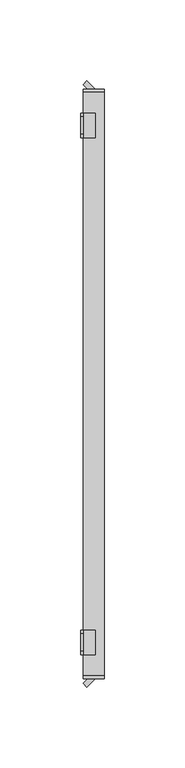
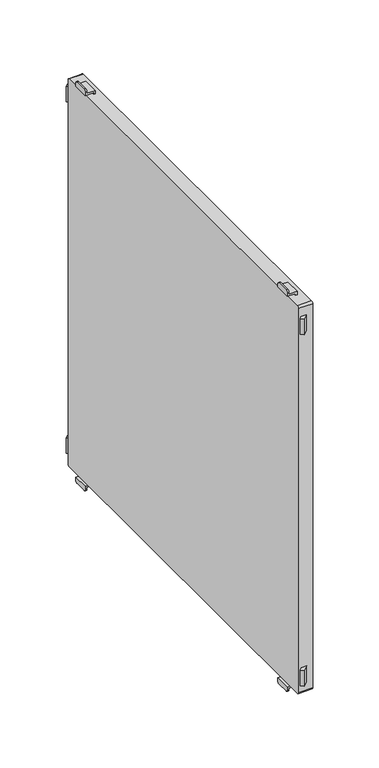
"""IFC4 building model written with IfcOpenShell, lengths in millimetres: furniture geometry."""

from ifc_helpers import new_model, si_unit, point, frame, frame_2d, origin, place, context, project, spatial, polyline, circle_curve, trimmed, segment, composite_curve, outline, extrude, source, transform, mapped, element, save
from ifc_brep_helpers import plane_surface, cylinder_surface, advanced_brep


def furniture_c60aaff3(model_context):
    return source(origin(), model_context, "Body", "SolidModel", [
        advanced_brep(
        [(-397.0, -152.5, 115.5), (-397.0, -152.5, 117.0), (-397.0, -167.5, 117.0), (-397.0, -167.5, 115.5), (-397.0, -165.5, 113.5), (-397.0, -154.5, 113.5), (-398.5, -152.5, 118.5), (-398.5, -152.5, 115.5), (-398.5, -154.5, 113.5), (-398.5, -165.5, 113.5), (-398.5, -167.5, 115.5), (-398.5, -167.5, 118.5), (-391.0011497, -152.5, 118.5), (-391.0011497, -152.5, 120.0), (-389.5011497, -152.5, 120.0), (-389.5011497, -152.5, 117.0), (-389.5011497, -167.5, 117.0), (-389.5011497, -167.5, 120.0), (-391.0011497, -167.5, 120.0), (-391.0011497, -167.5, 118.5)],
        [
            (0, 1),
            (1, 2),
            (2, 3),
            (3, 4, circle_curve(frame((-397.0, -165.5, 115.5), z_axis=(1.0, 0.0, 0.0), x_axis=(0.0, -1.0, 0.0)), 2.0)),
            (4, 5),
            (5, 0, circle_curve(frame((-397.0, -154.5, 115.5), z_axis=(1.0, 0.0, 0.0), x_axis=(0.0, -1.0, 0.0)), 2.0)),
            (6, 7),
            (7, 8, circle_curve(frame((-398.5, -154.5, 115.5), z_axis=(-1.0, 0.0, 0.0), x_axis=(0.0, -1.0, 0.0)), 2.0)),
            (8, 9),
            (9, 10, circle_curve(frame((-398.5, -165.5, 115.5), z_axis=(-1.0, 0.0, 0.0), x_axis=(0.0, -1.0, 0.0)), 2.0)),
            (10, 11),
            (11, 6),
            (6, 12),
            (12, 13),
            (13, 14),
            (14, 15),
            (15, 1),
            (0, 7),
            (5, 8),
            (4, 9),
            (3, 10),
            (2, 16),
            (16, 17),
            (17, 18),
            (18, 19),
            (19, 11),
            (19, 12),
            (14, 17),
            (16, 15),
            (13, 18),
        ],
        [
            plane_surface(frame((-397.0, -152.5, 117.0), z_axis=(1.0, 0.0, 0.0), x_axis=(0.0, 0.0, -1.0))),
            plane_surface(frame((-398.5, -152.5, 117.0), z_axis=(-1.0, 0.0, 0.0), x_axis=(0.0, 0.0, 1.0))),
            plane_surface(frame((-397.0, -152.5, 118.5), z_axis=(0.0, 1.0, 0.0), x_axis=(-1.0, 0.0, 0.0))),
            cylinder_surface(frame((-398.5, -154.5, 115.5), z_axis=(1.0, 0.0, 0.0), x_axis=(0.0, -1.0, 0.0)), 2.0),
            plane_surface(frame((-397.0, -154.5, 113.5), z_axis=(0.0, 0.0, -1.0), x_axis=(-1.0, 0.0, 0.0))),
            cylinder_surface(frame((-398.5, -165.5, 115.5), z_axis=(1.0, 0.0, 0.0), x_axis=(0.0, -1.0, 0.0)), 2.0),
            plane_surface(frame((-397.0, -167.5, 115.5), z_axis=(0.0, -1.0, 0.0), x_axis=(-1.0, 0.0, 0.0))),
            plane_surface(frame((-397.0, -167.5, 118.5), z_axis=(0.0, 0.0, 1.0), x_axis=(-1.0, 0.0, 0.0))),
            plane_surface(frame((-389.5011497, -152.5, 117.0), z_axis=(1.0, 0.0, 0.0), x_axis=(0.0, -1.0, 0.0))),
            plane_surface(frame((-389.5011497, -152.5, 120.0), z_axis=(0.0, 0.0, 1.0), x_axis=(0.0, -1.0, 0.0))),
            plane_surface(frame((-391.0011497, -152.5, 120.0), z_axis=(-1.0, 0.0, 0.0), x_axis=(0.0, -1.0, 0.0))),
            plane_surface(frame((-397.0, -152.5, 117.0), z_axis=(0.0, 0.0, -1.0), x_axis=(0.0, -1.0, 0.0))),
        ],
        [
            (0, [[1, 2, 3, 4, 5, 6]]),
            (1, [[7, 8, 9, 10, 11, 12]]),
            (2, [[13, 14, 15, 16, 17, -1, 18, -7]]),
            (3, [[19, -8, -18, -6]]),
            (4, [[20, -9, -19, -5]]),
            (5, [[21, -10, -20, -4]]),
            (6, [[-21, -3, 22, 23, 24, 25, 26, -11]]),
            (7, [[27, -13, -12, -26]]),
            (8, [[28, -23, 29, -16]]),
            (9, [[30, -24, -28, -15]]),
            (10, [[-27, -25, -30, -14]]),
            (11, [[-29, -22, -2, -17]]),
        ],
    ),
        advanced_brep(
        [(-397.0, 167.5, 115.5), (-397.0, 167.5, 117.0), (-397.0, 152.5, 117.0), (-397.0, 152.5, 115.5), (-397.0, 154.5, 113.5), (-397.0, 165.5, 113.5), (-398.5, 152.5, 118.5), (-398.5, 167.5, 118.5), (-398.5, 167.5, 115.5), (-398.5, 165.5, 113.5), (-398.5, 154.5, 113.5), (-398.5, 152.5, 115.5), (-391.0011497, 152.5, 118.5), (-391.0011497, 167.5, 118.5), (-391.0011497, 167.5, 120.0), (-389.5011497, 167.5, 120.0), (-389.5011497, 167.5, 117.0), (-389.5011497, 152.5, 117.0), (-389.5011497, 152.5, 120.0), (-391.0011497, 152.5, 120.0)],
        [
            (0, 1),
            (1, 2),
            (2, 3),
            (3, 4, circle_curve(frame((-397.0, 154.5, 115.5), z_axis=(1.0, 0.0, 0.0), x_axis=(0.0, -1.0, 0.0)), 2.0)),
            (4, 5),
            (5, 0, circle_curve(frame((-397.0, 165.5, 115.5), z_axis=(1.0, 0.0, 0.0), x_axis=(0.0, -1.0, 0.0)), 2.0)),
            (6, 7),
            (7, 8),
            (8, 9, circle_curve(frame((-398.5, 165.5, 115.5), z_axis=(-1.0, 0.0, 0.0), x_axis=(0.0, -1.0, 0.0)), 2.0)),
            (9, 10),
            (10, 11, circle_curve(frame((-398.5, 154.5, 115.5), z_axis=(-1.0, 0.0, 0.0), x_axis=(0.0, -1.0, 0.0)), 2.0)),
            (11, 6),
            (6, 12),
            (12, 13),
            (13, 7),
            (13, 14),
            (14, 15),
            (15, 16),
            (16, 1),
            (0, 8),
            (5, 9),
            (4, 10),
            (3, 11),
            (2, 17),
            (17, 18),
            (18, 19),
            (19, 12),
            (17, 16),
            (15, 18),
            (14, 19),
        ],
        [
            plane_surface(frame((-397.0, -152.5, 117.0), z_axis=(1.0, 0.0, 0.0), x_axis=(0.0, 0.0, -1.0))),
            plane_surface(frame((-398.5, -152.5, 117.0), z_axis=(-1.0, 0.0, 0.0), x_axis=(0.0, 0.0, 1.0))),
            plane_surface(frame((-397.0, 152.5, 118.5), z_axis=(0.0, 0.0, 1.0), x_axis=(-1.0, 0.0, 0.0))),
            plane_surface(frame((-397.0, 167.5, 118.5), z_axis=(0.0, 1.0, 0.0), x_axis=(-1.0, 0.0, 0.0))),
            cylinder_surface(frame((-400.0, 165.5, 115.5), z_axis=(1.0, 0.0, 0.0), x_axis=(0.0, -1.0, 0.0)), 2.0),
            plane_surface(frame((-397.0, 165.5, 113.5), z_axis=(0.0, 0.0, -1.0), x_axis=(-1.0, 0.0, 0.0))),
            cylinder_surface(frame((-400.0, 154.5, 115.5), z_axis=(1.0, 0.0, 0.0), x_axis=(0.0, -1.0, 0.0)), 2.0),
            plane_surface(frame((-397.0, 152.5, 115.5), z_axis=(0.0, -1.0, 0.0), x_axis=(-1.0, 0.0, 0.0))),
            plane_surface(frame((-389.5011497, 152.5, 120.0), z_axis=(1.0, 0.0, 0.0), x_axis=(0.0, 1.0, 0.0))),
            plane_surface(frame((-391.0011497, 152.5, 120.0), z_axis=(0.0, 0.0, 1.0), x_axis=(0.0, 1.0, 0.0))),
            plane_surface(frame((-391.0011497, 152.5, 118.5), z_axis=(-1.0, 0.0, 0.0), x_axis=(0.0, 1.0, 0.0))),
            plane_surface(frame((-389.5011497, 152.5, 117.0), z_axis=(0.0, 0.0, -1.0), x_axis=(0.0, 1.0, 0.0))),
        ],
        [
            (0, [[1, 2, 3, 4, 5, 6]]),
            (1, [[7, 8, 9, 10, 11, 12]]),
            (2, [[13, 14, 15, -7]]),
            (3, [[-15, 16, 17, 18, 19, -1, 20, -8]]),
            (4, [[21, -9, -20, -6]]),
            (5, [[22, -10, -21, -5]]),
            (6, [[23, -11, -22, -4]]),
            (7, [[-23, -3, 24, 25, 26, 27, -13, -12]]),
            (8, [[28, -18, 29, -25]]),
            (9, [[-29, -17, 30, -26]]),
            (10, [[-30, -16, -14, -27]]),
            (11, [[-2, -19, -28, -24]]),
        ],
    ),
        advanced_brep(
        [(-397.0, -167.5, 499.5), (-397.0, -167.5, 498.0), (-397.0, -152.5, 498.0), (-397.0, -152.5, 499.5), (-397.0, -154.5, 501.5), (-397.0, -165.5, 501.5), (-398.5, -152.5, 496.5), (-398.5, -167.5, 496.5), (-398.5, -167.5, 499.5), (-398.5, -165.5, 501.5), (-398.5, -154.5, 501.5), (-398.5, -152.5, 499.5), (-389.5011497, -152.5, 498.0), (-389.5011497, -152.5, 495.0), (-391.0011497, -152.5, 495.0), (-391.0011497, -152.5, 496.5), (-389.5011497, -167.5, 498.0), (-391.0011497, -167.5, 496.5), (-391.0011497, -167.5, 495.0), (-389.5011497, -167.5, 495.0)],
        [
            (0, 1),
            (1, 2),
            (2, 3),
            (3, 4, circle_curve(frame((-397.0, -154.5, 499.5), z_axis=(1.0, 0.0, 0.0), x_axis=(0.0, -1.0, 0.0)), 2.0)),
            (4, 5),
            (5, 0, circle_curve(frame((-397.0, -165.5, 499.5), z_axis=(1.0, 0.0, 0.0), x_axis=(0.0, -1.0, 0.0)), 2.0)),
            (6, 7),
            (7, 8),
            (8, 9, circle_curve(frame((-398.5, -165.5, 499.5), z_axis=(-1.0, 0.0, 0.0), x_axis=(0.0, -1.0, 0.0)), 2.0)),
            (9, 10),
            (10, 11, circle_curve(frame((-398.5, -154.5, 499.5), z_axis=(-1.0, 0.0, 0.0), x_axis=(0.0, -1.0, 0.0)), 2.0)),
            (11, 6),
            (12, 13),
            (13, 14),
            (14, 15),
            (15, 6),
            (11, 3),
            (2, 12),
            (16, 1),
            (0, 8),
            (7, 17),
            (17, 18),
            (18, 19),
            (19, 16),
            (15, 17),
            (5, 9),
            (4, 10),
            (16, 12),
            (14, 18),
            (13, 19),
        ],
        [
            plane_surface(frame((-397.0, -152.5, 117.0), z_axis=(1.0, 0.0, 0.0), x_axis=(0.0, 0.0, -1.0))),
            plane_surface(frame((-398.5, -152.5, 117.0), z_axis=(-1.0, 0.0, 0.0), x_axis=(0.0, 0.0, 1.0))),
            plane_surface(frame((-397.0, -152.5, 118.5), z_axis=(0.0, 1.0, 0.0), x_axis=(-1.0, 0.0, 0.0))),
            plane_surface(frame((-397.0, -167.5, 115.5), z_axis=(0.0, -1.0, 0.0), x_axis=(-1.0, 0.0, 0.0))),
            plane_surface(frame((-397.0, -152.5, 496.5), z_axis=(0.0, 0.0, -1.0), x_axis=(-1.0, 0.0, 0.0))),
            cylinder_surface(frame((-400.0, -165.5, 499.5), z_axis=(1.0, 0.0, 0.0), x_axis=(0.0, -1.0, 0.0)), 2.0),
            plane_surface(frame((-397.0, -165.5, 501.5), z_axis=(0.0, 0.0, 1.0), x_axis=(-1.0, 0.0, 0.0))),
            cylinder_surface(frame((-400.0, -154.5, 499.5), z_axis=(1.0, 0.0, 0.0), x_axis=(0.0, -1.0, 0.0)), 2.0),
            plane_surface(frame((-389.5011497, -152.5, 498.0), z_axis=(0.0, 0.0, 1.0), x_axis=(0.0, -1.0, 0.0))),
            plane_surface(frame((-391.0011497, -152.5, 496.5), z_axis=(-1.0, 0.0, 0.0), x_axis=(0.0, -1.0, 0.0))),
            plane_surface(frame((-391.0011497, -152.5, 495.0), z_axis=(0.0, 0.0, -1.0), x_axis=(0.0, -1.0, 0.0))),
            plane_surface(frame((-389.5011497, -152.5, 495.0), z_axis=(1.0, 0.0, 0.0), x_axis=(0.0, -1.0, 0.0))),
        ],
        [
            (0, [[1, 2, 3, 4, 5, 6]]),
            (1, [[7, 8, 9, 10, 11, 12]]),
            (2, [[13, 14, 15, 16, -12, 17, -3, 18]]),
            (3, [[19, -1, 20, -8, 21, 22, 23, 24]]),
            (4, [[25, -21, -7, -16]]),
            (5, [[26, -9, -20, -6]]),
            (6, [[27, -10, -26, -5]]),
            (7, [[-17, -11, -27, -4]]),
            (8, [[-2, -19, 28, -18]]),
            (9, [[29, -22, -25, -15]]),
            (10, [[30, -23, -29, -14]]),
            (11, [[-28, -24, -30, -13]]),
        ],
    ),
        advanced_brep(
        [(-397.0, 152.5, 499.5), (-397.0, 152.5, 498.0), (-397.0, 167.5, 498.0), (-397.0, 167.5, 499.5), (-397.0, 165.5, 501.5), (-397.0, 154.5, 501.5), (-398.5, 152.5, 496.5), (-398.5, 152.5, 499.5), (-398.5, 154.5, 501.5), (-398.5, 165.5, 501.5), (-398.5, 167.5, 499.5), (-398.5, 167.5, 496.5), (-389.5011497, 167.5, 498.0), (-389.5011497, 167.5, 495.0), (-391.0011497, 167.5, 495.0), (-391.0011497, 167.5, 496.5), (-391.0011497, 152.5, 496.5), (-391.0011497, 152.5, 495.0), (-389.5011497, 152.5, 495.0), (-389.5011497, 152.5, 498.0)],
        [
            (0, 1),
            (1, 2),
            (2, 3),
            (3, 4, circle_curve(frame((-397.0, 165.5, 499.5), z_axis=(1.0, 0.0, 0.0), x_axis=(0.0, -1.0, 0.0)), 2.0)),
            (4, 5),
            (5, 0, circle_curve(frame((-397.0, 154.5, 499.5), z_axis=(1.0, 0.0, 0.0), x_axis=(0.0, -1.0, 0.0)), 2.0)),
            (6, 7),
            (7, 8, circle_curve(frame((-398.5, 154.5, 499.5), z_axis=(-1.0, 0.0, 0.0), x_axis=(0.0, -1.0, 0.0)), 2.0)),
            (8, 9),
            (9, 10, circle_curve(frame((-398.5, 165.5, 499.5), z_axis=(-1.0, 0.0, 0.0), x_axis=(0.0, -1.0, 0.0)), 2.0)),
            (10, 11),
            (11, 6),
            (10, 3),
            (2, 12),
            (12, 13),
            (13, 14),
            (14, 15),
            (15, 11),
            (6, 16),
            (16, 17),
            (17, 18),
            (18, 19),
            (19, 1),
            (0, 7),
            (5, 8),
            (4, 9),
            (15, 16),
            (19, 12),
            (14, 17),
            (13, 18),
        ],
        [
            plane_surface(frame((-397.0, -152.5, 117.0), z_axis=(1.0, 0.0, 0.0), x_axis=(0.0, 0.0, -1.0))),
            plane_surface(frame((-398.5, -152.5, 117.0), z_axis=(-1.0, 0.0, 0.0), x_axis=(0.0, 0.0, 1.0))),
            plane_surface(frame((-397.0, 167.5, 118.5), z_axis=(0.0, 1.0, 0.0), x_axis=(-1.0, 0.0, 0.0))),
            plane_surface(frame((-397.0, 152.5, 115.5), z_axis=(0.0, -1.0, 0.0), x_axis=(-1.0, 0.0, 0.0))),
            cylinder_surface(frame((-400.0, 154.5, 499.5), z_axis=(1.0, 0.0, 0.0), x_axis=(0.0, -1.0, 0.0)), 2.0),
            plane_surface(frame((-397.0, 154.5, 501.5), z_axis=(0.0, 0.0, 1.0), x_axis=(-1.0, 0.0, 0.0))),
            cylinder_surface(frame((-400.0, 165.5, 499.5), z_axis=(1.0, 0.0, 0.0), x_axis=(0.0, -1.0, 0.0)), 2.0),
            plane_surface(frame((-397.0, 167.5, 496.5), z_axis=(0.0, 0.0, -1.0), x_axis=(-1.0, 0.0, 0.0))),
            plane_surface(frame((-397.0, 152.5, 498.0), z_axis=(0.0, 0.0, 1.0), x_axis=(0.0, 1.0, 0.0))),
            plane_surface(frame((-391.0011497, 152.5, 495.0), z_axis=(-1.0, 0.0, 0.0), x_axis=(0.0, 1.0, 0.0))),
            plane_surface(frame((-389.5011497, 152.5, 495.0), z_axis=(0.0, 0.0, -1.0), x_axis=(0.0, 1.0, 0.0))),
            plane_surface(frame((-389.5011497, 152.5, 498.0), z_axis=(1.0, 0.0, 0.0), x_axis=(0.0, 1.0, 0.0))),
        ],
        [
            (0, [[1, 2, 3, 4, 5, 6]]),
            (1, [[7, 8, 9, 10, 11, 12]]),
            (2, [[13, -3, 14, 15, 16, 17, 18, -11]]),
            (3, [[19, 20, 21, 22, 23, -1, 24, -7]]),
            (4, [[25, -8, -24, -6]]),
            (5, [[26, -9, -25, -5]]),
            (6, [[-13, -10, -26, -4]]),
            (7, [[-18, 27, -19, -12]]),
            (8, [[28, -14, -2, -23]]),
            (9, [[-27, -17, 29, -20]]),
            (10, [[-29, -16, 30, -21]]),
            (11, [[-30, -15, -28, -22]]),
        ],
    ),
        extrude(outline(polyline([(-397.0, 185.3223305), (-394.6617401, 187.6605904), (-389.5011497, 182.5), (-394.1776695, 182.5), (-397.0, 185.3223305)])), frame((0.0, 0.0, 130.0), z_axis=(0.0, 0.0, 1.0), x_axis=(1.0, 0.0, 0.0)), (0.0, 0.0, 1.0), 15.0),
        extrude(outline(polyline([(-397.0, -185.3223305), (-394.1776695, -182.5), (-389.5011497, -182.5), (-394.6617401, -187.6605904), (-397.0, -185.3223305)])), frame((0.0, 0.0, 130.0), z_axis=(0.0, 0.0, 1.0), x_axis=(1.0, 0.0, 0.0)), (0.0, 0.0, 1.0), 15.0),
        extrude(outline(composite_curve([segment(trimmed(circle_curve(frame_2d((-180.7, 493.2)), 1.8), [point((-182.5, 493.2))], [point((-180.7, 495.0))], False, "CARTESIAN"), True, "CONTINUOUS"), segment(polyline([(-180.7, 495.0), (180.7, 495.0)]), True, "CONTINUOUS"), segment(trimmed(circle_curve(frame_2d((180.7, 493.2)), 1.8), [point((180.7, 495.0))], [point((182.5, 493.2))], False, "CARTESIAN"), True, "CONTINUOUS"), segment(polyline([(182.5, 493.2), (182.5, 121.8)]), True, "CONTINUOUS"), segment(trimmed(circle_curve(frame_2d((180.7, 121.8)), 1.8), [point((182.5, 121.8))], [point((180.7, 120.0))], False, "CARTESIAN"), True, "CONTINUOUS"), segment(polyline([(180.7, 120.0), (-180.7, 120.0)]), True, "CONTINUOUS"), segment(trimmed(circle_curve(frame_2d((-180.7, 121.8)), 1.8), [point((-180.7, 120.0))], [point((-182.5, 121.8))], False, "CARTESIAN"), True, "CONTINUOUS"), segment(polyline([(-182.5, 121.8), (-182.5, 493.2)]), True, "CONTINUOUS")], self_intersect=False)), frame((-397.0, 0.0, 0.0), z_axis=(1.0, 0.0, 0.0), x_axis=(0.0, 1.0, 0.0)), (0.0, 0.0, 1.0), 13.000205),
        extrude(outline(polyline([(-397.0, 185.3223305), (-394.6617401, 187.6605904), (-389.5011497, 182.5), (-394.1776695, 182.5), (-397.0, 185.3223305)])), frame((0.0, 0.0, 470.0), z_axis=(0.0, 0.0, 1.0), x_axis=(1.0, 0.0, 0.0)), (0.0, 0.0, 1.0), 15.0),
        extrude(outline(polyline([(-397.0, -185.3223305), (-394.1776695, -182.5), (-389.5011497, -182.5), (-394.6617401, -187.6605904), (-397.0, -185.3223305)])), frame((0.0, 0.0, 470.0), z_axis=(0.0, 0.0, 1.0), x_axis=(1.0, 0.0, 0.0)), (0.0, 0.0, 1.0), 15.0),
    ])


if __name__ == "__main__":
    model = new_model("IFC4")
    model_context = context("Model", 3, world=origin())
    ifc_project = project(units=[si_unit("LENGTHUNIT", "METRE", prefix="MILLI")], contexts=[model_context])
    site = spatial("IfcSite", under=ifc_project)
    building = spatial("IfcBuilding", under=site)
    placement = place(None, origin())
    furniture_shape = furniture_c60aaff3(model_context)
    element("IfcFurniture", 1, at=placement, inside=building, context=model_context, shape_type="MappedRepresentation", body=[
        mapped(furniture_shape, transform((0.0, 0.0, 0.0), x_axis=(1.0, 0.0, 0.0), y_axis=(0.0, 1.0, 0.0), z_axis=(0.0, 0.0, 1.0))),
    ])
    save(model, "model.ifc")
